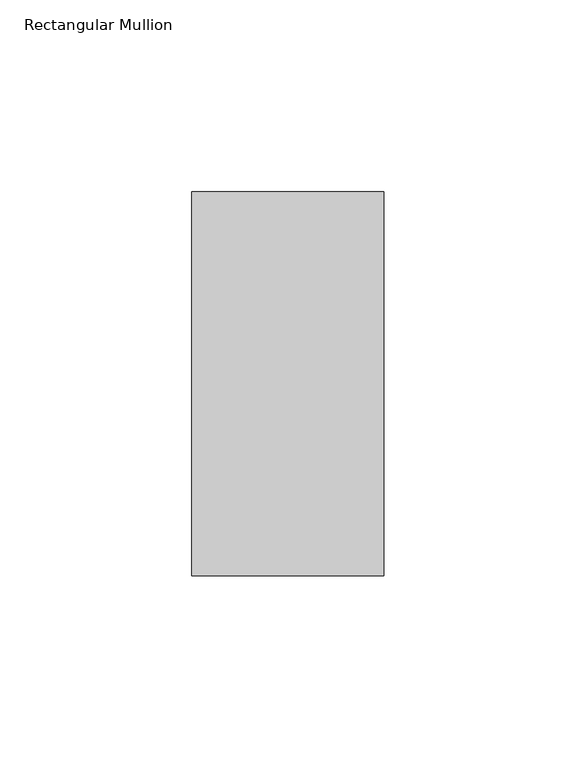
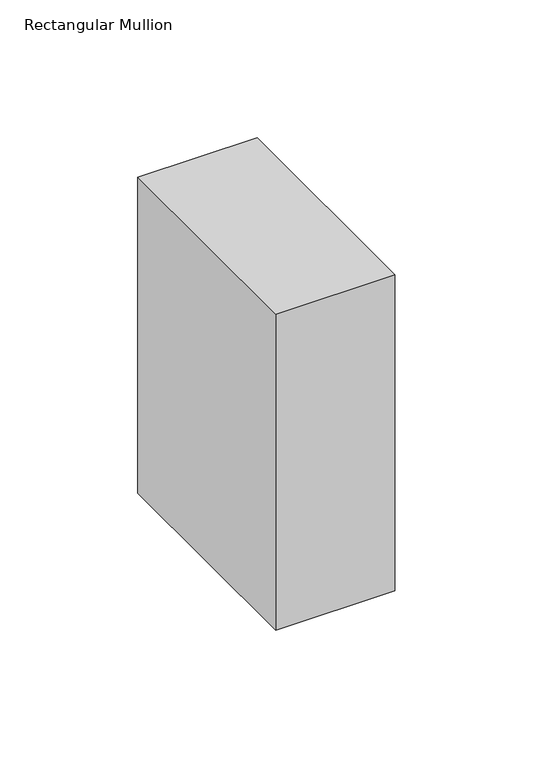
"""IFC4 building model written with IfcOpenShell, lengths in millimetres: member geometry, Rectangular Mullion."""

from ifc_helpers import new_model, si_unit, frame, origin, place, context, project, spatial, polyline, outline, extrude, source, transform, mapped, element, save


def rectangular_mullion_7ab7329e(model_context):
    return source(origin(), model_context, "Body", "SweptSolid", [
        extrude(outline(polyline([(0.0, 31.0), (0.0, -69.0), (-50.0, -69.0), (-50.0, 31.0), (0.0, 31.0)])), frame((0.0, 0.0, -140.0), z_axis=(0.0, 0.0, 1.0), x_axis=(1.0, 0.0, 0.0)), (0.0, 0.0, 1.0), 140.0),
    ])


if __name__ == "__main__":
    model = new_model("IFC4")
    model_context = context("Model", 3, world=origin())
    ifc_project = project(units=[si_unit("LENGTHUNIT", "METRE", prefix="MILLI")], contexts=[model_context])
    site = spatial("IfcSite", under=ifc_project)
    building = spatial("IfcBuilding", under=site)
    placement = place(None, origin())
    rectangular_mullion_shape = rectangular_mullion_7ab7329e(model_context)
    element("IfcMember", 1, ObjectType="Rectangular Mullion", at=placement, inside=building, context=model_context, shape_type="MappedRepresentation", body=[
        mapped(rectangular_mullion_shape, transform((0.0, 0.0, 0.0), x_axis=(1.0, 0.0, 0.0), y_axis=(0.0, 1.0, 0.0), z_axis=(0.0, 0.0, 1.0))),
    ])
    save(model, "model.ifc")
